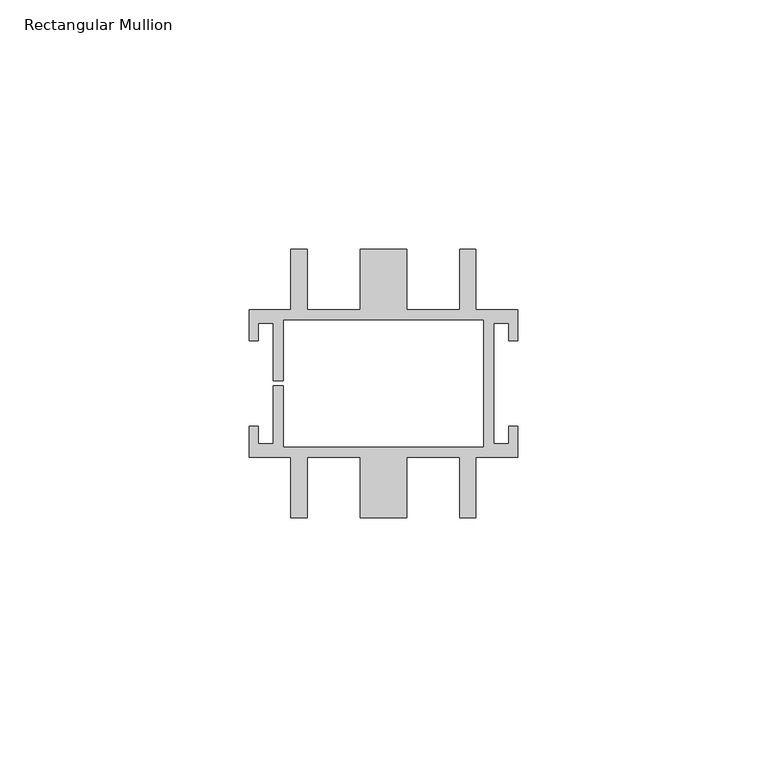
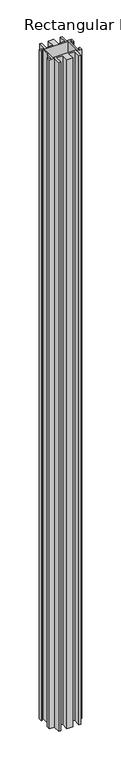
"""IFC4 building model written with IfcOpenShell, lengths in millimetres: member geometry, Rectangular Mullion."""

from ifc_helpers import new_model, si_unit, frame, origin, place, context, project, spatial, polyline, outline, extrude, source, transform, mapped, element, save


def rectangular_mullion_8136b46a(model_context):
    return source(origin(), model_context, "Body", "SweptSolid", [
        extrude(outline(polyline([(-26.987501, -14.8000005), (-26.987501, -8.6000003), (-25.187501, -8.6000003), (-25.187501, -12.1000004), (-22.0875009, -12.1000004), (-22.0875009, -0.5), (-20.0875008, -0.5), (-20.0875008, -12.8000004), (20.0875008, -12.8000004), (20.0875008, 12.8000004), (-20.0875008, 12.8000004), (-20.0875008, 0.5), (-22.0875009, 0.5), (-22.0875009, 12.1000004), (-25.187501, 12.1000004), (-25.187501, 8.6000003), (-26.987501, 8.6000003), (-26.987501, 14.8000005), (-18.5682277, 14.8000005), (-18.5682277, 26.9875), (-15.2682276, 26.9875), (-15.2682276, 14.8000005), (-4.7000002, 14.8000005), (-4.7000002, 26.9875), (4.7000002, 26.9875), (4.7000002, 14.8000005), (15.2682276, 14.8000005), (15.2682276, 26.9875), (18.5682277, 26.9875), (18.5682277, 14.8000005), (26.987501, 14.8000005), (26.987501, 8.6000003), (25.187501, 8.6000003), (25.187501, 12.1000004), (22.0875009, 12.1000004), (22.0875009, -12.1000004), (25.187501, -12.1000004), (25.187501, -8.6000003), (26.987501, -8.6000003), (26.987501, -14.8000005), (18.5682277, -14.8000005), (18.5682277, -26.9875), (15.2682276, -26.9875), (15.2682276, -14.8000005), (4.7000002, -14.8000005), (4.7000002, -26.9875), (-4.7000002, -26.9875), (-4.7000002, -14.8000005), (-15.2682276, -14.8000005), (-15.2682276, -26.9875), (-18.5682277, -26.9875), (-18.5682277, -14.8000005), (-26.987501, -14.8000005)])), frame((0.0, 0.0, -1177.925), z_axis=(0.0, 0.0, 1.0), x_axis=(1.0, 0.0, 0.0)), (0.0, 0.0, 1.0), 1177.925),
    ])


if __name__ == "__main__":
    model = new_model("IFC4")
    model_context = context("Model", 3, world=origin())
    ifc_project = project(units=[si_unit("LENGTHUNIT", "METRE", prefix="MILLI")], contexts=[model_context])
    site = spatial("IfcSite", under=ifc_project)
    building = spatial("IfcBuilding", under=site)
    placement = place(None, origin())
    rectangular_mullion_shape = rectangular_mullion_8136b46a(model_context)
    element("IfcMember", 1, ObjectType="Rectangular Mullion", at=placement, inside=building, context=model_context, shape_type="MappedRepresentation", body=[
        mapped(rectangular_mullion_shape, transform((0.0, 0.0, 0.0), x_axis=(1.0, 0.0, 0.0), y_axis=(0.0, 1.0, 0.0), z_axis=(0.0, 0.0, 1.0))),
    ])
    save(model, "model.ifc")
